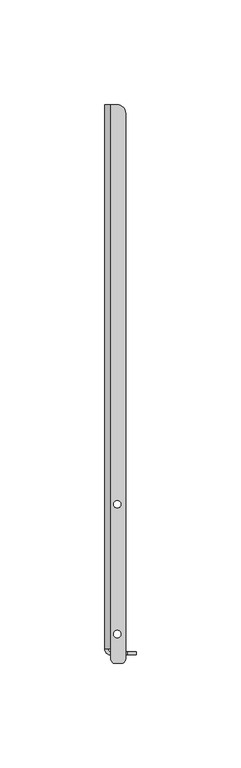
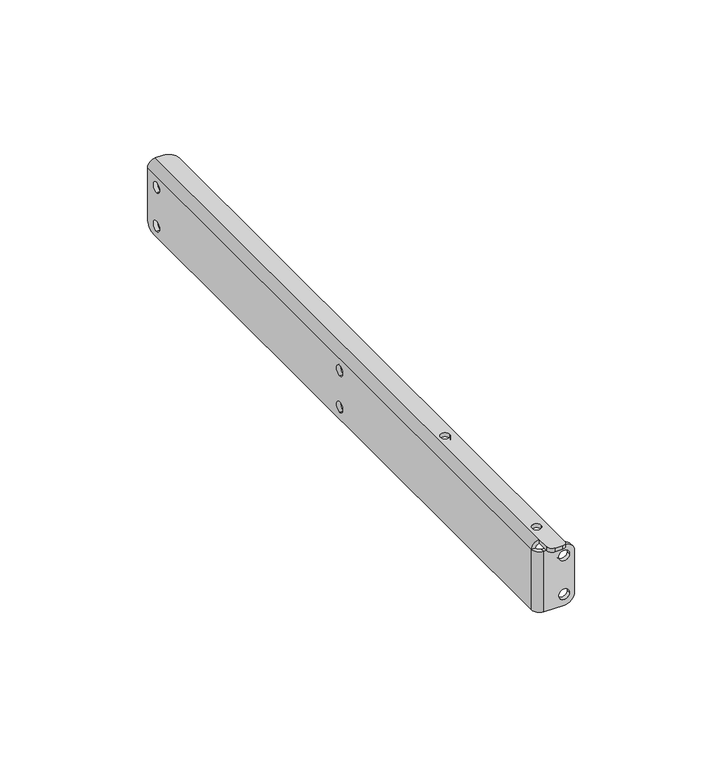
"""IFC4 building model written with IfcOpenShell, lengths in millimetres: proxy geometry."""

from ifc_helpers import new_model, si_unit, frame, origin, place, context, project, spatial, polyline, circle_curve, source, transform, mapped, element, save
from ifc_brep_helpers import plane_surface, cylinder_surface, revolved_surface, advanced_brep


def generic_models_ce39d9ad(model_context):
    return source(origin(), model_context, "Body", "AdvancedBrep", [
        advanced_brep(
        [(0.0, 257.0, -10.1), (1.5, 257.0, -10.1), (1.5, 257.0, -5.9), (0.0, 257.0, -5.9), (0.0, 257.0, 5.9), (1.5, 257.0, 5.9), (1.5, 257.0, 10.1), (0.0, 257.0, 10.1), (1.5, 133.0, -5.4), (0.0, 133.0, -5.4), (0.0, 133.0, -9.6), (1.5, 133.0, -9.6), (1.5, 133.0, 9.6), (0.0, 133.0, 9.6), (0.0, 133.0, 5.4), (1.5, 133.0, 5.4), (13.1, 1.5, -8.0), (13.1, 0.0, -8.0), (8.9, 0.0, -8.0), (8.9, 1.5, -8.0), (13.1, 1.5, 8.0), (13.1, 0.0, 8.0), (8.9, 0.0, 8.0), (8.9, 1.5, 8.0), (7.75, 10.0, 14.0), (7.75, 10.0, 15.5), (4.25, 10.0, 15.5), (4.25, 10.0, 14.0), (7.75, 72.0, 14.0), (7.75, 72.0, 15.5), (4.25, 72.0, 15.5), (4.25, 72.0, 14.0), (5.0, -4.0, 15.5), (3.0, -2.0, 15.5), (3.0, -2.0, 14.0), (5.0, -4.0, 14.0), (8.0, -4.0, 15.5), (10.0, -2.0, 15.5), (10.0, 259.0, 15.5), (6.0, 263.0, 15.5), (3.0, 263.0, 15.5), (3.0, 3.0, 15.5), (8.0, -4.0, 14.0), (10.0, -2.0, 14.0), (15.0, 1.5, 8.5), (11.0, 1.5, 12.5), (11.0, 0.0, 12.5), (15.0, 0.0, 8.5), (15.0, 0.0, -8.5), (15.0, 1.5, -8.5), (3.0, 0.0, 12.5), (3.0, 0.0, -12.5), (11.0, 0.0, -12.5), (11.0, 1.5, -12.5), (3.0, 1.5, -12.5), (10.0, 259.0, 14.0), (6.0, 263.0, 14.0), (3.0, 263.0, 14.0), (0.0, 259.0, -12.5), (0.0, 263.0, -8.5), (1.5, 263.0, -8.5), (1.5, 259.0, -12.5), (1.5, 3.0, -12.5), (0.0, 3.0, -12.5), (1.5, 263.0, 12.5), (1.5, 3.0, 12.5), (3.0, 1.5, 12.5), (0.0, 3.0, 12.5), (3.0, 3.0, 14.0), (0.0, 263.0, 12.5)],
        [
            (0, 1),
            (1, 2, circle_curve(frame((1.5, 257.0, -8.0), z_axis=(1.0, 0.0, 0.0), x_axis=(0.0, 0.0, -1.0)), 2.1)),
            (2, 3),
            (3, 0, circle_curve(frame((0.0, 257.0, -8.0), z_axis=(-1.0, 0.0, 0.0), x_axis=(0.0, 0.0, -1.0)), 2.1)),
            (4, 5),
            (5, 6, circle_curve(frame((1.5, 257.0, 8.0), z_axis=(1.0, 0.0, 0.0), x_axis=(0.0, 0.0, -1.0)), 2.1)),
            (6, 7),
            (7, 4, circle_curve(frame((0.0, 257.0, 8.0), z_axis=(-1.0, 0.0, 0.0), x_axis=(0.0, 0.0, -1.0)), 2.1)),
            (8, 9),
            (9, 10, circle_curve(frame((0.0, 133.0, -7.5), z_axis=(-1.0, 0.0, 0.0), x_axis=(0.0, 0.0, 1.0)), 2.1)),
            (10, 11),
            (11, 8, circle_curve(frame((1.5, 133.0, -7.5), z_axis=(1.0, 0.0, 0.0), x_axis=(0.0, 0.0, 1.0)), 2.1)),
            (12, 13),
            (13, 14, circle_curve(frame((0.0, 133.0, 7.5), z_axis=(-1.0, 0.0, 0.0), x_axis=(0.0, 0.0, 1.0)), 2.1)),
            (14, 15),
            (15, 12, circle_curve(frame((1.5, 133.0, 7.5), z_axis=(1.0, 0.0, 0.0), x_axis=(0.0, 0.0, 1.0)), 2.1)),
            (16, 17),
            (17, 18, circle_curve(frame((11.0, 0.0, -8.0), z_axis=(0.0, -1.0, 0.0), x_axis=(1.0, 0.0, 0.0)), 2.1)),
            (18, 19),
            (19, 16, circle_curve(frame((11.0, 1.5, -8.0), z_axis=(0.0, 1.0, 0.0), x_axis=(1.0, 0.0, 0.0)), 2.1)),
            (20, 21),
            (21, 22, circle_curve(frame((11.0, 0.0, 8.0), z_axis=(0.0, -1.0, 0.0), x_axis=(1.0, 0.0, 0.0)), 2.1)),
            (22, 23),
            (23, 20, circle_curve(frame((11.0, 1.5, 8.0), z_axis=(0.0, 1.0, 0.0), x_axis=(1.0, 0.0, 0.0)), 2.1)),
            (24, 25),
            (25, 26, circle_curve(frame((6.0, 10.0, 15.5), z_axis=(0.0, 0.0, 1.0), x_axis=(1.0, 0.0, 0.0)), 1.75)),
            (26, 27),
            (27, 24, circle_curve(frame((6.0, 10.0, 14.0), z_axis=(0.0, 0.0, -1.0), x_axis=(1.0, 0.0, 0.0)), 1.75)),
            (28, 29),
            (29, 30, circle_curve(frame((6.0, 72.0, 15.5), z_axis=(0.0, 0.0, 1.0), x_axis=(1.0, 0.0, 0.0)), 1.75)),
            (30, 31),
            (31, 28, circle_curve(frame((6.0, 72.0, 14.0), z_axis=(0.0, 0.0, -1.0), x_axis=(1.0, 0.0, 0.0)), 1.75)),
            (28, 31, circle_curve(frame((6.0, 72.0, 14.0), z_axis=(0.0, 0.0, -1.0), x_axis=(1.0, 0.0, 0.0)), 1.75)),
            (30, 29, circle_curve(frame((6.0, 72.0, 15.5), z_axis=(0.0, 0.0, 1.0), x_axis=(1.0, 0.0, 0.0)), 1.75)),
            (24, 27, circle_curve(frame((6.0, 10.0, 14.0), z_axis=(0.0, 0.0, -1.0), x_axis=(1.0, 0.0, 0.0)), 1.75)),
            (26, 25, circle_curve(frame((6.0, 10.0, 15.5), z_axis=(0.0, 0.0, 1.0), x_axis=(1.0, 0.0, 0.0)), 1.75)),
            (32, 33, circle_curve(frame((5.0, -2.0, 15.5), z_axis=(0.0, 0.0, -1.0), x_axis=(-0.7071067811865474, -0.7071067811865477, 0.0)), 2.0)),
            (33, 34),
            (34, 35, circle_curve(frame((5.0, -2.0, 14.0), z_axis=(0.0, 0.0, 1.0), x_axis=(-0.7071067811865474, -0.7071067811865477, 0.0)), 2.0)),
            (35, 32),
            (32, 36),
            (36, 37, circle_curve(frame((8.0, -2.0, 15.5), z_axis=(0.0, 0.0, 1.0), x_axis=(0.7071067811865472, -0.7071067811865477, 0.0)), 2.0)),
            (37, 38),
            (38, 39, circle_curve(frame((6.0, 259.0, 15.5), z_axis=(0.0, 0.0, 1.0), x_axis=(0.7071067811865489, 0.7071067811865461, 0.0)), 4.0)),
            (39, 40),
            (40, 41),
            (41, 33),
            (35, 42),
            (42, 36),
            (42, 43, circle_curve(frame((8.0, -2.0, 14.0), z_axis=(0.0, 0.0, 1.0), x_axis=(0.7071067811865472, -0.7071067811865477, 0.0)), 2.0)),
            (43, 37),
            (20, 23, circle_curve(frame((11.0, 1.5, 8.0), z_axis=(0.0, 1.0, 0.0), x_axis=(1.0, 0.0, 0.0)), 2.1)),
            (22, 21, circle_curve(frame((11.0, 0.0, 8.0), z_axis=(0.0, -1.0, 0.0), x_axis=(1.0, 0.0, 0.0)), 2.1)),
            (16, 19, circle_curve(frame((11.0, 1.5, -8.0), z_axis=(0.0, 1.0, 0.0), x_axis=(1.0, 0.0, 0.0)), 2.1)),
            (18, 17, circle_curve(frame((11.0, 0.0, -8.0), z_axis=(0.0, -1.0, 0.0), x_axis=(1.0, 0.0, 0.0)), 2.1)),
            (44, 45, circle_curve(frame((11.0, 1.5, 8.5), z_axis=(0.0, -1.0, 0.0), x_axis=(0.7071067811865476, 0.0, 0.7071067811865476)), 4.0)),
            (45, 46),
            (46, 47, circle_curve(frame((11.0, 0.0, 8.5), z_axis=(0.0, 1.0, 0.0), x_axis=(0.7071067811865476, 0.0, 0.7071067811865476)), 4.0)),
            (47, 44),
            (47, 48),
            (48, 49),
            (49, 44),
            (46, 50),
            (50, 51),
            (51, 52),
            (52, 48, circle_curve(frame((11.0, 0.0, -8.5), z_axis=(0.0, -1.0, 0.0), x_axis=(0.7071067811865472, 0.0, -0.7071067811865477)), 4.0)),
            (53, 49, circle_curve(frame((11.0, 1.5, -8.5), z_axis=(0.0, -1.0, 0.0), x_axis=(0.7071067811865472, 0.0, -0.7071067811865477)), 4.0)),
            (52, 53),
            (51, 54),
            (54, 53),
            (55, 56, circle_curve(frame((6.0, 259.0, 14.0), z_axis=(0.0, 0.0, 1.0), x_axis=(0.7071067811865489, 0.7071067811865461, 0.0)), 4.0)),
            (56, 39),
            (38, 55),
            (56, 57),
            (57, 40),
            (58, 59, circle_curve(frame((0.0, 259.0, -8.5), z_axis=(1.0, 0.0, 0.0), x_axis=(0.0, 0.7071067811865461, -0.7071067811865489)), 4.0)),
            (59, 60),
            (60, 61, circle_curve(frame((1.5, 259.0, -8.5), z_axis=(-1.0, 0.0, 0.0), x_axis=(0.0, 0.7071067811865461, -0.7071067811865489)), 4.0)),
            (61, 58),
            (61, 62),
            (62, 63),
            (63, 58),
            (60, 64),
            (64, 65),
            (65, 62),
            (11, 8, circle_curve(frame((1.5, 133.0, -7.5), z_axis=(-1.0, 0.0, 0.0), x_axis=(0.0, 0.0, 1.0)), 2.1)),
            (15, 12, circle_curve(frame((1.5, 133.0, 7.5), z_axis=(-1.0, 0.0, 0.0), x_axis=(0.0, 0.0, 1.0)), 2.1)),
            (1, 2, circle_curve(frame((1.5, 257.0, -8.0), z_axis=(-1.0, 0.0, 0.0), x_axis=(0.0, 0.0, -1.0)), 2.1)),
            (5, 6, circle_curve(frame((1.5, 257.0, 8.0), z_axis=(-1.0, 0.0, 0.0), x_axis=(0.0, 0.0, -1.0)), 2.1)),
            (14, 13, circle_curve(frame((0.0, 133.0, 7.5), z_axis=(-1.0, 0.0, 0.0), x_axis=(0.0, 0.0, 1.0)), 2.1)),
            (10, 9, circle_curve(frame((0.0, 133.0, -7.5), z_axis=(-1.0, 0.0, 0.0), x_axis=(0.0, 0.0, 1.0)), 2.1)),
            (4, 7, circle_curve(frame((0.0, 257.0, 8.0), z_axis=(-1.0, 0.0, 0.0), x_axis=(0.0, 0.0, -1.0)), 2.1)),
            (0, 3, circle_curve(frame((0.0, 257.0, -8.0), z_axis=(-1.0, 0.0, 0.0), x_axis=(0.0, 0.0, -1.0)), 2.1)),
            (66, 54),
            (54, 62, circle_curve(frame((3.0, 3.0, -12.5), z_axis=(0.0, 0.0, -1.0), x_axis=(0.0, -1.0, 0.0)), 1.5)),
            (65, 66, circle_curve(frame((3.0, 3.0, 12.5), z_axis=(0.0, 0.0, 1.0), x_axis=(0.0, -1.0, 0.0)), 1.5)),
            (45, 66),
            (66, 50),
            (51, 63, circle_curve(frame((3.0, 3.0, -12.5), z_axis=(0.0, 0.0, -1.0), x_axis=(0.0, -1.0, 0.0)), 3.0)),
            (65, 67),
            (67, 50, circle_curve(frame((3.0, 3.0, 12.5), z_axis=(0.0, 0.0, 1.0), x_axis=(0.0, -1.0, 0.0)), 3.0)),
            (67, 63),
            (41, 68),
            (68, 34),
            (41, 67, circle_curve(frame((3.0, 3.0, 12.5), z_axis=(0.0, -1.0, 0.0), x_axis=(0.0, 0.0, 1.0)), 3.0)),
            (65, 68, circle_curve(frame((3.0, 3.0, 12.5), z_axis=(0.0, 1.0, 0.0), x_axis=(0.0, 0.0, 1.0)), 1.5)),
            (64, 57, circle_curve(frame((3.0, 263.0, 12.5), z_axis=(0.0, 1.0, 0.0), x_axis=(0.0, 0.0, 1.0)), 1.5)),
            (57, 68),
            (64, 69),
            (69, 40, circle_curve(frame((3.0, 263.0, 12.5), z_axis=(0.0, 1.0, 0.0), x_axis=(0.0, 0.0, 1.0)), 3.0)),
            (43, 55),
            (69, 67),
            (59, 69),
        ],
        [
            revolved_surface(polyline([(1.5, 257.0, -10.1), (0.0, 257.0, -10.1)]), (0.75, 257.0, -8.0), (1.0, 0.0, 0.0)),
            revolved_surface(polyline([(1.5, 257.0, 5.9), (0.0, 257.0, 5.9)]), (0.75, 257.0, 8.0), (1.0, 0.0, 0.0)),
            revolved_surface(polyline([(0.0, 133.0, -5.4), (1.5, 133.0, -5.4)]), (0.75, 133.0, -7.5), (-1.0, 0.0, 0.0)),
            revolved_surface(polyline([(0.0, 133.0, 9.6), (1.5, 133.0, 9.6)]), (0.75, 133.0, 7.5), (-1.0, 0.0, 0.0)),
            revolved_surface(polyline([(13.1, 0.0, -8.0), (13.1, 1.5, -8.0)]), (11.0, 0.75, -8.0), (0.0, -1.0, 0.0)),
            revolved_surface(polyline([(13.1, 0.0, 8.0), (13.1, 1.5, 8.0)]), (11.0, 0.75, 8.0), (0.0, -1.0, 0.0)),
            revolved_surface(polyline([(7.75, 10.0, 15.5), (7.75, 10.0, 14.0)]), (6.0, 10.0, 14.75), (0.0, 0.0, 1.0)),
            revolved_surface(polyline([(7.75, 72.0, 15.5), (7.75, 72.0, 14.0)]), (6.0, 72.0, 14.75), (0.0, 0.0, 1.0)),
            cylinder_surface(frame((5.0, -2.0, 15.125), z_axis=(0.0, 0.0, 1.0), x_axis=(-0.7071067811865474, -0.7071067811865477, 0.0)), 2.0),
            plane_surface(frame((4.80354, 131.5, 15.5), z_axis=(0.0, 0.0, 1.0), x_axis=(-1.0, 0.0, 0.0))),
            plane_surface(frame((6.5, -4.0, 14.75), z_axis=(0.0, -1.0, 0.0), x_axis=(0.0, 0.0, 1.0))),
            cylinder_surface(frame((8.0, -2.0, 15.125), z_axis=(0.0, 0.0, -0.9999999999999998), x_axis=(0.7071067811865472, -0.7071067811865477, 0.0)), 2.0),
            cylinder_surface(frame((11.0, 0.0, 8.5), z_axis=(0.0, 1.0000000000000002, 0.0), x_axis=(0.7071067811865476, 0.0, 0.7071067811865476)), 4.0),
            plane_surface(frame((15.0, 0.0, -12.5), z_axis=(1.0, 0.0, 0.0), x_axis=(0.0, 0.0, -1.0))),
            plane_surface(frame((7.30354, 0.0, 0.0), z_axis=(0.0, -1.0, 0.0), x_axis=(0.0, 0.0, -1.0))),
            cylinder_surface(frame((11.0, 0.0, -8.5), z_axis=(0.0, 0.9999999999999998, 0.0), x_axis=(0.7071067811865472, 0.0, -0.7071067811865477)), 4.0),
            plane_surface(frame((3.0, 0.0, -12.5), z_axis=(0.0, 0.0, -1.0), x_axis=(0.0, -1.0, 0.0))),
            cylinder_surface(frame((6.0, 259.0, 15.5), z_axis=(0.0, 0.0, -1.0), x_axis=(0.7071067811865489, 0.7071067811865461, 0.0)), 4.0),
            plane_surface(frame((3.0, 263.0, 15.5), z_axis=(0.0, 1.0, 0.0), x_axis=(1.0, 0.0, 0.0))),
            cylinder_surface(frame((1.5, 259.0, -8.5), z_axis=(-1.0, 0.0, 0.0), x_axis=(0.0, 0.7071067811865461, -0.7071067811865489)), 4.0),
            plane_surface(frame((1.5, 0.0, -12.5), z_axis=(0.0, 0.0, -1.0), x_axis=(-1.0, 0.0, 0.0))),
            plane_surface(frame((1.5, 131.5, 0.0), z_axis=(1.0, 0.0, 0.0), x_axis=(0.0, 0.0, -1.0))),
            revolved_surface(polyline([(3.0, 1.5, 12.5), (3.0, 1.5, -12.5)]), (3.0, 3.0, -12.5), (0.0, 0.0, 1.0)),
            plane_surface(frame((3.0, 0.0, 12.5), z_axis=(0.0, 0.0, 1.0), x_axis=(0.0, 1.0, 0.0))),
            plane_surface(frame((3.0, 0.0, -12.5), z_axis=(0.0, 0.0, -1.0), x_axis=(-1.0, 0.0, 0.0))),
            plane_surface(frame((3.0, 1.5, 12.5), z_axis=(0.0, 0.0, 1.0), x_axis=(1.0, 0.0, 0.0))),
            plane_surface(frame((7.30354, 1.5, 0.0), z_axis=(0.0, 1.0, 0.0), x_axis=(0.0, 0.0, -1.0))),
            cylinder_surface(frame((3.0, 3.0, 12.5), z_axis=(0.0, 0.0, 1.0), x_axis=(0.0, -1.0, 0.0)), 3.0),
            plane_surface(frame((3.0, 3.0, 15.5), z_axis=(-1.0, 0.0, 0.0), x_axis=(0.0, 0.0, -1.0))),
            plane_surface(frame((1.5713499, 3.0, 13.9286501), z_axis=(0.0, -1.0, 0.0), x_axis=(0.0, 0.0, 1.0))),
            revolved_surface(polyline([(3.0, 263.0, 14.0), (3.0, 3.0, 14.0)]), (3.0, 0.0, 12.5), (0.0, 1.0, 0.0)),
            plane_surface(frame((3.0, 263.0, 14.0), z_axis=(0.0, 1.0, 0.0), x_axis=(0.0, 0.0, 1.0))),
            plane_surface(frame((10.0, 0.0, 15.5), z_axis=(1.0, 0.0, 0.0), x_axis=(0.0, 0.0, -1.0))),
            plane_surface(frame((4.80354, 131.5, 14.0), z_axis=(0.0, 0.0, -1.0), x_axis=(-1.0, 0.0, 0.0))),
            cylinder_surface(frame((3.0, 263.0, 12.5), z_axis=(0.0, 1.0, 0.0), x_axis=(0.0, 0.0, 1.0)), 3.0),
            plane_surface(frame((1.5, 263.0, -12.5), z_axis=(0.0, 1.0, 0.0), x_axis=(0.0, 0.0, 1.0))),
            plane_surface(frame((0.0, 131.5, 0.0), z_axis=(-1.0, 0.0, 0.0), x_axis=(0.0, 0.0, -1.0))),
        ],
        [
            (0, [[1, 2, 3, 4]]),
            (1, [[5, 6, 7, 8]]),
            (2, [[9, 10, 11, 12]]),
            (3, [[13, 14, 15, 16]]),
            (4, [[17, 18, 19, 20]]),
            (5, [[21, 22, 23, 24]]),
            (6, [[25, 26, 27, 28]]),
            (7, [[29, 30, 31, 32]]),
            (7, [[-29, 33, -31, 34]]),
            (6, [[-25, 35, -27, 36]]),
            (8, [[37, 38, 39, 40]]),
            (9, [[-37, 41, 42, 43, 44, 45, 46, 47], [-34, -30], [-36, -26]]),
            (10, [[-40, 48, 49, -41]]),
            (11, [[50, 51, -42, -49]]),
            (5, [[-21, 52, -23, 53]]),
            (4, [[-17, 54, -19, 55]]),
            (12, [[56, 57, 58, 59]]),
            (13, [[-59, 60, 61, 62]]),
            (14, [[-58, 63, 64, 65, 66, -60], [-53, -22], [-55, -18]]),
            (15, [[67, -61, -66, 68]]),
            (16, [[-68, -65, 69, 70]]),
            (17, [[71, 72, -44, 73]]),
            (18, [[-72, 74, 75, -45]]),
            (19, [[76, 77, 78, 79]]),
            (20, [[-79, 80, 81, 82]]),
            (21, [[-78, 83, 84, 85, -80], [-12, 86], [-16, 87], [88, -2], [89, -6]]),
            (3, [[-13, -87, -15, 90]]),
            (2, [[-9, -86, -11, 91]]),
            (1, [[-5, 92, -7, -89]]),
            (0, [[-1, 93, -3, -88]]),
            (22, [[94, 95, -85, 96]]),
            (23, [[-57, 97, 98, -63]]),
            (24, [[-69, 99, -81, -95]]),
            (25, [[-98, -96, 100, 101]]),
            (26, [[-56, -62, -67, -70, -94, -97], [-20, -54], [-24, -52]]),
            (27, [[-64, -101, 102, -99]]),
            (28, [[-38, -47, 103, 104]]),
            (29, [[105, -100, 106, -103]]),
            (30, [[-106, -84, 107, 108]]),
            (31, [[-75, -107, 109, 110]]),
            (32, [[-51, 111, -73, -43]]),
            (33, [[-39, -104, -108, -74, -71, -111, -50, -48], [-28, -35], [-32, -33]]),
            (34, [[-105, -46, -110, 112]]),
            (35, [[-77, 113, -109, -83]]),
            (36, [[-76, -82, -102, -112, -113], [-4, -93], [-8, -92], [-90, -14], [-91, -10]]),
        ],
    ),
    ])


if __name__ == "__main__":
    model = new_model("IFC4")
    model_context = context("Model", 3, world=origin())
    ifc_project = project(units=[si_unit("LENGTHUNIT", "METRE", prefix="MILLI")], contexts=[model_context])
    site = spatial("IfcSite", under=ifc_project)
    building = spatial("IfcBuilding", under=site)
    placement = place(None, origin())
    generic_models_shape = generic_models_ce39d9ad(model_context)
    element("IfcBuildingElementProxy", 1, Name="Generic Models", at=placement, inside=building, context=model_context, shape_type="MappedRepresentation", body=[
        mapped(generic_models_shape, transform((0.0, 0.0, 0.0), x_axis=(1.0, 0.0, 0.0), y_axis=(0.0, 1.0, 0.0), z_axis=(0.0, 0.0, 1.0))),
    ])
    save(model, "model.ifc")
